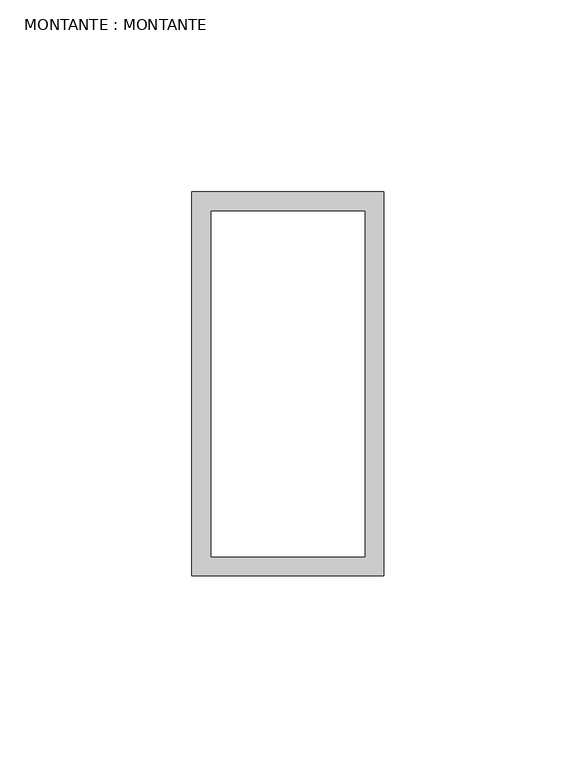
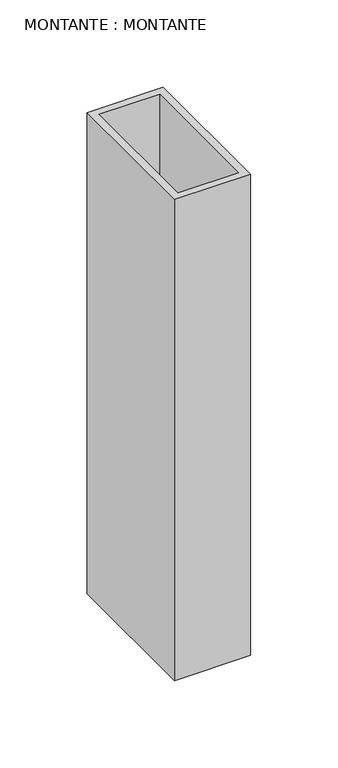
"""IFC4 building model written with IfcOpenShell, lengths in millimetres: plate geometry, MONTANTE : MONTANTE."""

from ifc_helpers import new_model, si_unit, origin, origin_with_axes, place, context, project, spatial, polyline, outline, extrude, source, transform, mapped, element, save


def montante_montante_4603f487(model_context):
    return source(origin(), model_context, "Body", "SweptSolid", [
        extrude(outline(polyline([(-25.0, -100.0), (-25.0, 0.0), (25.0, 0.0), (25.0, -100.0), (-25.0, -100.0)]), holes=[polyline([(-20.0, -5.0), (-20.0, -95.0), (20.0, -95.0), (20.0, -5.0), (-20.0, -5.0)])]), origin_with_axes(), (0.0, 0.0, 1.0), 335.7555928),
    ])


if __name__ == "__main__":
    model = new_model("IFC4")
    model_context = context("Model", 3, world=origin())
    ifc_project = project(units=[si_unit("LENGTHUNIT", "METRE", prefix="MILLI")], contexts=[model_context])
    site = spatial("IfcSite", under=ifc_project)
    building = spatial("IfcBuilding", under=site)
    placement = place(None, origin())
    montante_montante_shape = montante_montante_4603f487(model_context)
    element("IfcPlate", 1, ObjectType="MONTANTE : MONTANTE", at=placement, inside=building, context=model_context, shape_type="MappedRepresentation", body=[
        mapped(montante_montante_shape, transform((0.0, 0.0, 0.0), x_axis=(1.0, 0.0, 0.0), y_axis=(0.0, 1.0, 0.0), z_axis=(0.0, 0.0, 1.0))),
    ])
    save(model, "model.ifc")
